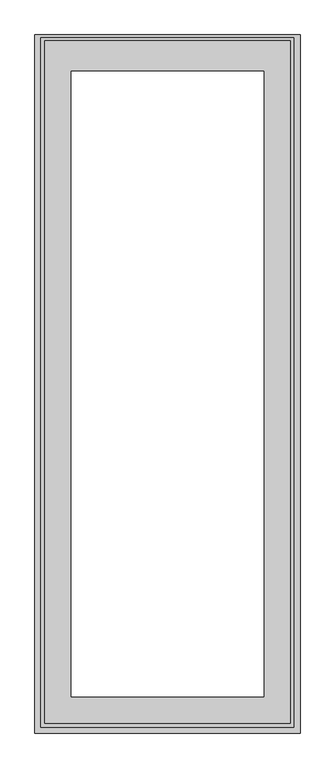
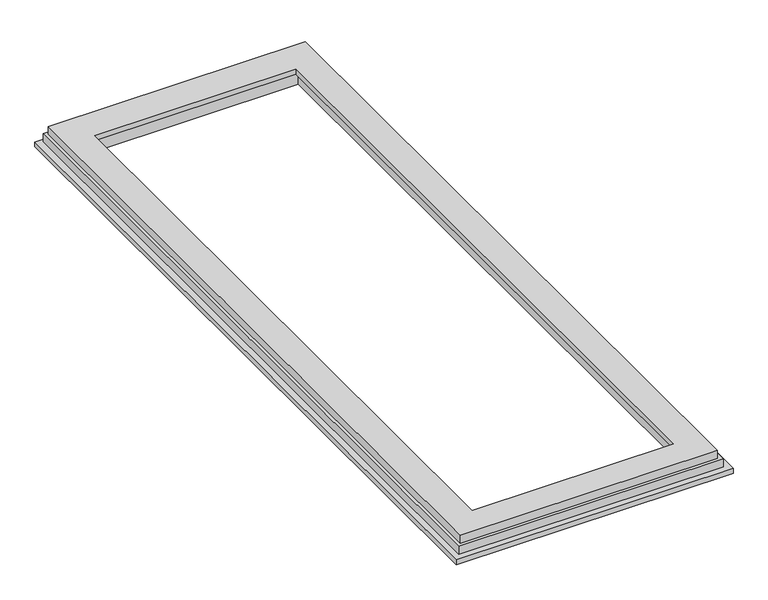
"""IFC4 building model written with IfcOpenShell, lengths in millimetres: proxy geometry."""

from ifc_helpers import new_model, si_unit, origin, place, context, project, spatial, faceted_brep, source, transform, mapped, element, save


def generic_models_b4bbfeb1(model_context):
    return source(origin(), model_context, "Body", "Brep", [
        faceted_brep([(40.0, -2310.0, -68.0), (40.0, -2310.0, -84.5), (916.0, -2310.0, -84.5), (916.0, -2310.0, -68.0), (916.0, -3.0, -84.5), (40.0, -3.0, -84.5), (142.0, -105.0, -84.5), (142.0, -2208.0, -84.5), (814.0, -2208.0, -84.5), (814.0, -105.0, -84.5), (814.0, -2208.0, -32.5), (814.0, -105.0, -32.5), (142.0, -2208.0, -32.5), (142.0, -105.0, -32.5), (160.0, -123.0, -32.5), (160.0, -2190.0, -32.5), (796.0, -2190.0, -32.5), (796.0, -123.0, -32.5), (796.0, -2190.0, -16.5), (796.0, -123.0, -16.5), (884.0, -2278.0, -16.5), (884.0, -22.0, -16.5), (72.0, -22.0, -16.5), (72.0, -2278.0, -16.5), (160.0, -2190.0, -16.5), (160.0, -123.0, -16.5), (916.0, -3.0, -68.0), (40.0, -3.0, -68.0), (896.0, -13.0, -68.0), (896.0, -2290.0, -68.0), (60.0, -2290.0, -68.0), (60.0, -13.0, -68.0), (896.0, -13.0, -42.0), (896.0, -2290.0, -42.0), (884.0, -2278.0, -42.0), (884.0, -22.0, -42.0), (60.0, -13.0, -42.0), (60.0, -2290.0, -42.0), (72.0, -2278.0, -42.0), (72.0, -22.0, -42.0)], [[[0, 1, 2, 3]], [[4, 2, 1, 5], [6, 7, 8, 9]], [[9, 8, 10, 11]], [[11, 10, 12, 13], [14, 15, 16, 17]], [[17, 16, 18, 19]], [[20, 21, 22, 23], [19, 18, 24, 25]], [[2, 4, 26, 3]], [[4, 5, 27, 26]], [[3, 26, 27, 0], [28, 29, 30, 31]], [[28, 32, 33, 29]], [[21, 20, 34, 35]], [[32, 36, 37, 33], [34, 38, 39, 35]], [[9, 11, 13, 6]], [[17, 19, 25, 14]], [[13, 12, 7, 6]], [[25, 24, 15, 14]], [[5, 1, 0, 27]], [[30, 37, 36, 31]], [[38, 23, 22, 39]], [[7, 12, 10, 8]], [[18, 16, 15, 24]], [[29, 33, 37, 30]], [[20, 23, 38, 34]], [[31, 36, 32, 28]], [[39, 22, 21, 35]]]),
    ])


if __name__ == "__main__":
    model = new_model("IFC4")
    model_context = context("Model", 3, world=origin())
    ifc_project = project(units=[si_unit("LENGTHUNIT", "METRE", prefix="MILLI")], contexts=[model_context])
    site = spatial("IfcSite", under=ifc_project)
    building = spatial("IfcBuilding", under=site)
    placement = place(None, origin())
    generic_models_shape = generic_models_b4bbfeb1(model_context)
    element("IfcBuildingElementProxy", 1, Name="Generic Models", at=placement, inside=building, context=model_context, shape_type="MappedRepresentation", body=[
        mapped(generic_models_shape, transform((0.0, 0.0, 0.0), x_axis=(1.0, 0.0, 0.0), y_axis=(0.0, 1.0, 0.0), z_axis=(0.0, 0.0, 1.0))),
    ])
    save(model, "model.ifc")
